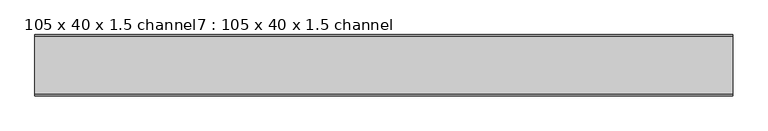
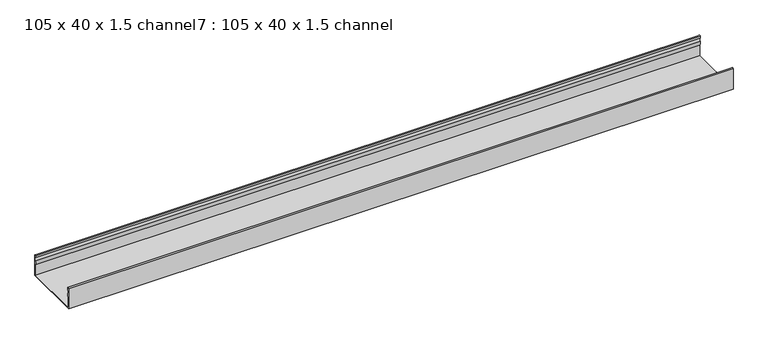
"""IFC4 building model written with IfcOpenShell, lengths in millimetres: proxy geometry, 105 x 40 x 1.5 channel7 : 105 x 40 x 1.5 channel."""

from ifc_helpers import new_model, si_unit, point, frame, frame_2d, origin, place, context, project, spatial, polyline, circle_curve, trimmed, segment, composite_curve, outline, extrude, source, transform, mapped, element, save


def proxy_105_x_40_x_1_5_channel7_105_x_40_x_1_5_channel_97f081bd(model_context):
    return source(origin(), model_context, "Body", "SweptSolid", [
        extrude(outline(composite_curve([segment(trimmed(circle_curve(frame_2d((-25047.5343538, 32.0)), 10.0), [point((-25037.9590458, 29.1166898))], [point((-25037.9590458, 34.8833102))], True, "CARTESIAN"), True, "CONTINUOUS"), segment(polyline([(-25037.9590458, 34.8833102), (-25038.5343538, 38.8)]), True, "CONTINUOUS"), segment(trimmed(circle_curve(frame_2d((-25037.3343538, 38.8)), 1.2), [point((-25038.5343538, 38.8))], [point((-25036.1343538, 38.8))], False, "CARTESIAN"), True, "CONTINUOUS"), segment(polyline([(-25036.1343538, 38.8), (-25036.1343538, 0.0), (-25141.4343538, 0.0), (-25141.4343538, 38.8)]), True, "CONTINUOUS"), segment(trimmed(circle_curve(frame_2d((-25140.2343538, 38.8)), 1.2), [point((-25141.4343538, 38.8))], [point((-25139.0343538, 38.8))], False, "CARTESIAN"), True, "CONTINUOUS"), segment(polyline([(-25139.0343538, 38.8), (-25139.6096617, 34.8833102)]), True, "CONTINUOUS"), segment(trimmed(circle_curve(frame_2d((-25130.0343538, 32.0)), 10.0), [point((-25139.6096617, 34.8833102))], [point((-25139.6096617, 29.1166898))], True, "CARTESIAN"), True, "CONTINUOUS"), segment(trimmed(circle_curve(frame_2d((-25149.0343538, 25.77376)), 10.0), [point((-25139.6096617, 29.1166898))], [point((-25140.0343538, 21.4148611))], False, "CARTESIAN"), True, "CONTINUOUS"), segment(polyline([(-25140.0343538, 21.4148611), (-25140.0343538, 1.4), (-25037.5343538, 1.4), (-25037.5343538, 21.4148611)]), True, "CONTINUOUS"), segment(trimmed(circle_curve(frame_2d((-25028.5343538, 25.77376)), 10.0), [point((-25037.5343538, 21.4148611))], [point((-25037.9590458, 29.1166898))], False, "CARTESIAN"), True, "CONTINUOUS")], self_intersect=False)), frame((6056.2644406, 0.0, 0.0), z_axis=(1.0, 0.0, 0.0), x_axis=(0.0, 1.0, 0.0)), (0.0, 0.0, 1.0), 1200.1845315),
    ])


if __name__ == "__main__":
    model = new_model("IFC4")
    model_context = context("Model", 3, world=origin())
    ifc_project = project(units=[si_unit("LENGTHUNIT", "METRE", prefix="MILLI")], contexts=[model_context])
    site = spatial("IfcSite", under=ifc_project)
    building = spatial("IfcBuilding", under=site)
    placement = place(None, origin())
    proxy_105_x_40_x_1_5_channel7_105_x_40_x_1_5_channel_shape = proxy_105_x_40_x_1_5_channel7_105_x_40_x_1_5_channel_97f081bd(model_context)
    element("IfcBuildingElementProxy", 1, Name="105 x 40 x 1.5 channel7 : 105 x 40 x 1.5 channel", ObjectType="105 x 40 x 1.5 channel7 : 105 x 40 x 1.5 channel", at=placement, inside=building, context=model_context, shape_type="MappedRepresentation", body=[
        mapped(proxy_105_x_40_x_1_5_channel7_105_x_40_x_1_5_channel_shape, transform((0.0, 0.0, 0.0), x_axis=(1.0, 0.0, 0.0), y_axis=(0.0, 1.0, 0.0), z_axis=(0.0, 0.0, 1.0))),
    ])
    save(model, "model.ifc")
